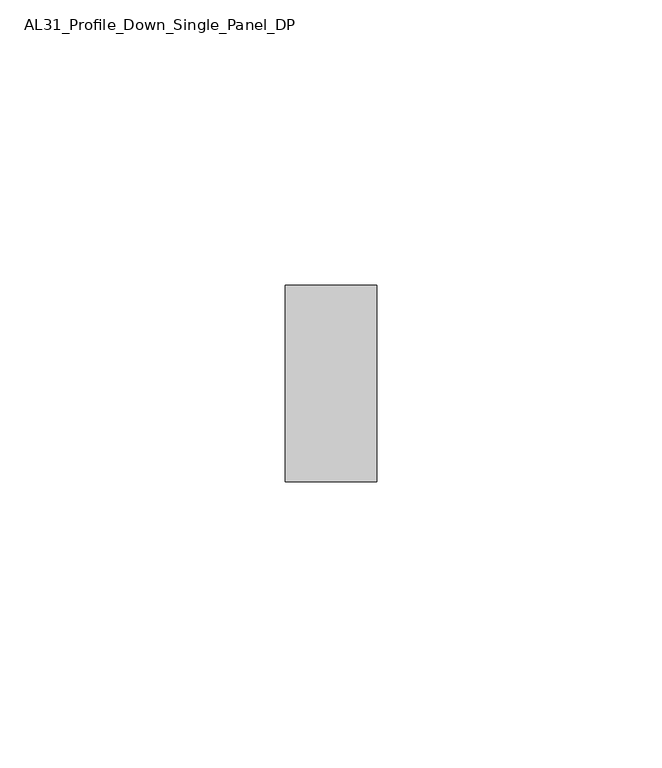
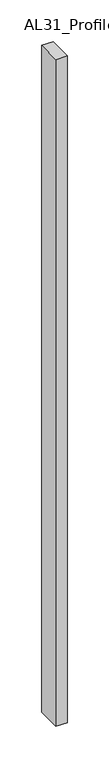
"""IFC4 building model written with IfcOpenShell, lengths in millimetres: member geometry, AL31_Profile_Down_Single_Panel_DP."""

from ifc_helpers import new_model, si_unit, frame, origin, place, context, project, spatial, polyline, outline, extrude, source, transform, mapped, element, save


def al31_profile_down_single_panel_dp_47c8f726(model_context):
    return source(origin(), model_context, "Body", "SweptSolid", [
        extrude(outline(polyline([(0.0, 37.107), (0.0, 2.607), (-16.0427074, 2.607), (-16.0427074, 37.107), (0.0, 37.107)])), frame((0.0, 0.0, -979.8), z_axis=(0.0, 0.0, 1.0), x_axis=(1.0, 0.0, 0.0)), (0.0, 0.0, 1.0), 979.8),
    ])


if __name__ == "__main__":
    model = new_model("IFC4")
    model_context = context("Model", 3, world=origin())
    ifc_project = project(units=[si_unit("LENGTHUNIT", "METRE", prefix="MILLI")], contexts=[model_context])
    site = spatial("IfcSite", under=ifc_project)
    building = spatial("IfcBuilding", under=site)
    placement = place(None, origin())
    al31_profile_down_single_panel_dp_shape = al31_profile_down_single_panel_dp_47c8f726(model_context)
    element("IfcMember", 1, ObjectType="AL31_Profile_Down_Single_Panel_DP", at=placement, inside=building, context=model_context, shape_type="MappedRepresentation", body=[
        mapped(al31_profile_down_single_panel_dp_shape, transform((0.0, 0.0, 0.0), x_axis=(1.0, 0.0, 0.0), y_axis=(0.0, 1.0, 0.0), z_axis=(0.0, 0.0, 1.0))),
    ])
    save(model, "model.ifc")
